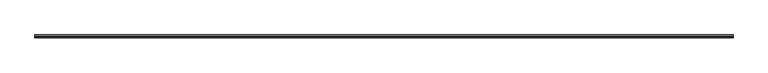
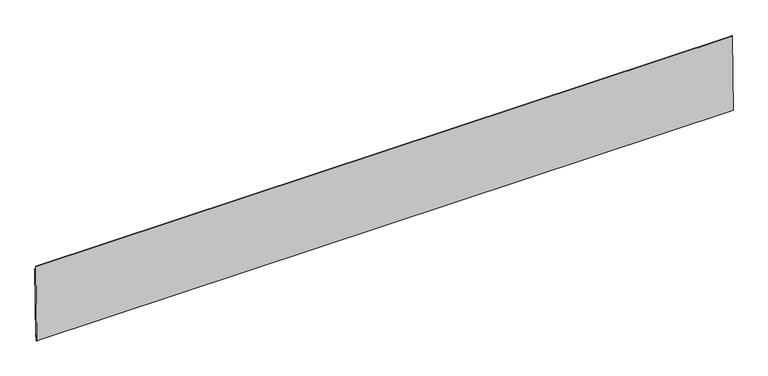
"""IFC4 building model written with IfcOpenShell, lengths in millimetres: proxy geometry."""

from ifc_helpers import new_model, si_unit, frame, origin, place, context, project, spatial, polyline, outline, extrude, source, transform, mapped, element, save


def generic_models_3696ac2f(model_context):
    return source(origin(), model_context, "Body", "SweptSolid", [
        extrude(outline(polyline([(3.5908171, 592.7358494), (-1.5957097, 283.2168009), (-3.9766254, 283.2566973), (-3.8436375, 291.1930831), (-6.422963, 291.2363042), (-6.8219266, 267.4271466), (-8.7921815, 267.4601617), (-9.7812158, 268.4829068), (-4.0964484, 607.7357192), (-3.0737032, 608.7247535), (-1.6923281, 608.7016062), (-1.9583039, 592.8288345), (3.5908171, 592.7358494)])), frame((-1835.15, 0.0, 0.0), z_axis=(1.0, 0.0, 0.0), x_axis=(0.0, 1.0, 0.0)), (0.0, 0.0, 1.0), 3054.35),
    ])


if __name__ == "__main__":
    model = new_model("IFC4")
    model_context = context("Model", 3, world=origin())
    ifc_project = project(units=[si_unit("LENGTHUNIT", "METRE", prefix="MILLI")], contexts=[model_context])
    site = spatial("IfcSite", under=ifc_project)
    building = spatial("IfcBuilding", under=site)
    placement = place(None, origin())
    generic_models_shape = generic_models_3696ac2f(model_context)
    element("IfcBuildingElementProxy", 1, Name="Generic Models", at=placement, inside=building, context=model_context, shape_type="MappedRepresentation", body=[
        mapped(generic_models_shape, transform((0.0, 0.0, 0.0), x_axis=(1.0, 0.0, 0.0), y_axis=(0.0, 1.0, 0.0), z_axis=(0.0, 0.0, 1.0))),
    ])
    save(model, "model.ifc")
